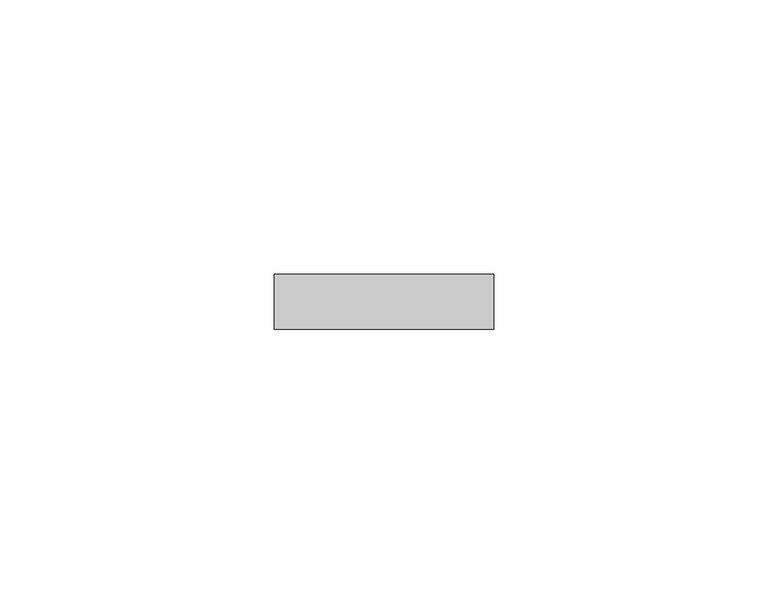
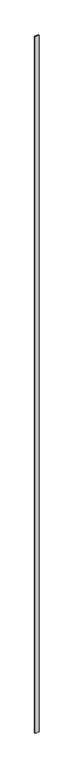
"""IFC4 building model written with IfcOpenShell, lengths in millimetres: plate geometry."""

from ifc_helpers import new_model, si_unit, origin, origin_with_axes, place, context, project, spatial, polyline, outline, extrude, source, transform, mapped, element, save


def plate_27539356(model_context):
    return source(origin(), model_context, "Body", "SweptSolid", [
        extrude(outline(polyline([(19.9613249, -5.0), (-19.9613249, -5.0), (-19.9613249, 5.0), (19.9613249, 5.0), (19.9613249, -5.0)])), origin_with_axes(), (0.0, 0.0, 1.0), 7500.0),
    ])


if __name__ == "__main__":
    model = new_model("IFC4")
    model_context = context("Model", 3, world=origin())
    ifc_project = project(units=[si_unit("LENGTHUNIT", "METRE", prefix="MILLI")], contexts=[model_context])
    site = spatial("IfcSite", under=ifc_project)
    building = spatial("IfcBuilding", under=site)
    placement = place(None, origin())
    plate_shape = plate_27539356(model_context)
    element("IfcPlate", 1, at=placement, inside=building, context=model_context, shape_type="MappedRepresentation", body=[
        mapped(plate_shape, transform((0.0, 0.0, 0.0), x_axis=(1.0, 0.0, 0.0), y_axis=(0.0, 1.0, 0.0), z_axis=(0.0, 0.0, 1.0))),
    ])
    save(model, "model.ifc")
